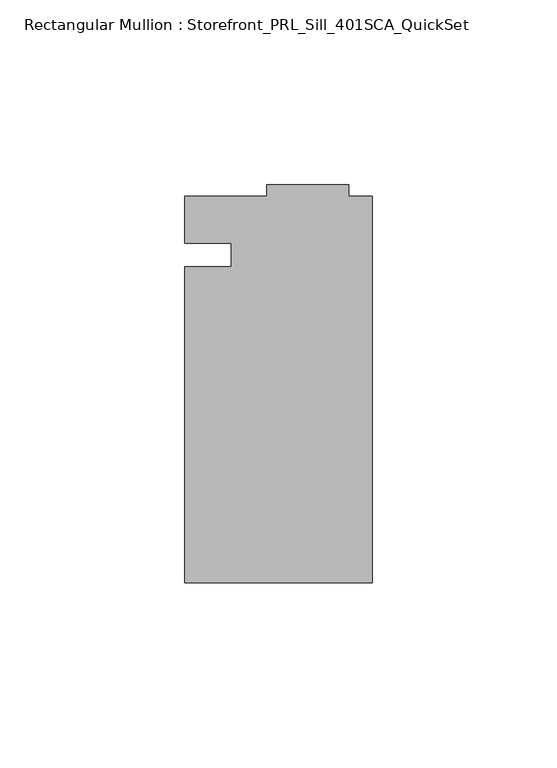
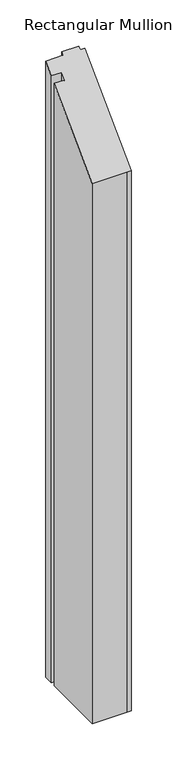
"""IFC4 building model written with IfcOpenShell, lengths in millimetres: member geometry, Rectangular Mullion : Storefront_PRL_Sill_401SCA_QuickSet."""

from ifc_helpers import new_model, si_unit, origin, place, context, project, spatial, faceted_brep, source, transform, mapped, element, save


def rectangular_mullion_storefront_prl_sill_401sca_quickset_bf27ff8f(model_context):
    return source(origin(), model_context, "Body", "Brep", [
        faceted_brep([(-38.1, -3.175, -830.7916667), (-38.1, 3.175, -830.7916667), (-50.8, 3.175, -830.7916667), (-50.8, 15.875, -830.7916667), (-28.575, 15.875, -830.7916667), (-28.575, 19.05, -830.7916667), (-6.35, 19.05, -830.7916667), (-6.35, 15.875, -830.7916667), (0.0, 15.875, -830.7916667), (0.0, -88.9, -830.7916667), (-6.35, -88.9, -830.7916667), (-50.8, -88.9, -830.7916667), (-50.8, -3.175, -830.7916667), (-50.8, -3.175, -3.175), (-38.1, -3.175, -3.175), (-50.8, -88.9, -88.9), (-6.35, -88.9, -88.9), (0.0, -88.9, -88.9), (0.0, 15.875, 15.875), (-6.35, 15.875, 15.875), (-6.35, 19.05, 19.05), (-28.575, 19.05, 19.05), (-28.575, 15.875, 15.875), (-50.8, 15.875, 15.875), (-50.8, 3.175, 3.175), (-38.1, 3.175, 3.175)], [[[0, 1, 2, 3, 4, 5, 6, 7, 8, 9, 10, 11, 12]], [[13, 14, 0, 12]], [[15, 13, 12, 11]], [[16, 15, 11, 10]], [[17, 16, 10, 9]], [[18, 17, 9, 8]], [[19, 18, 8, 7]], [[20, 19, 7, 6]], [[21, 20, 6, 5]], [[22, 21, 5, 4]], [[23, 22, 4, 3]], [[24, 23, 3, 2]], [[25, 24, 2, 1]], [[14, 25, 1, 0]], [[14, 13, 15, 16, 17, 18, 19, 20, 21, 22, 23, 24, 25]]]),
    ])


if __name__ == "__main__":
    model = new_model("IFC4")
    model_context = context("Model", 3, world=origin())
    ifc_project = project(units=[si_unit("LENGTHUNIT", "METRE", prefix="MILLI")], contexts=[model_context])
    site = spatial("IfcSite", under=ifc_project)
    building = spatial("IfcBuilding", under=site)
    placement = place(None, origin())
    rectangular_mullion_storefront_prl_sill_401sca_quickset_shape = rectangular_mullion_storefront_prl_sill_401sca_quickset_bf27ff8f(model_context)
    element("IfcMember", 1, ObjectType="Rectangular Mullion : Storefront_PRL_Sill_401SCA_QuickSet", at=placement, inside=building, context=model_context, shape_type="MappedRepresentation", body=[
        mapped(rectangular_mullion_storefront_prl_sill_401sca_quickset_shape, transform((0.0, 0.0, 0.0), x_axis=(1.0, 0.0, 0.0), y_axis=(0.0, 1.0, 0.0), z_axis=(0.0, 0.0, 1.0))),
    ])
    save(model, "model.ifc")
